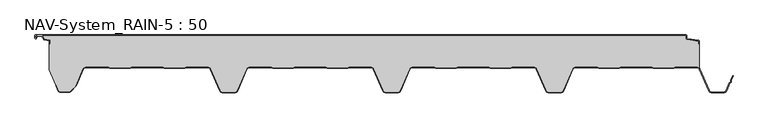
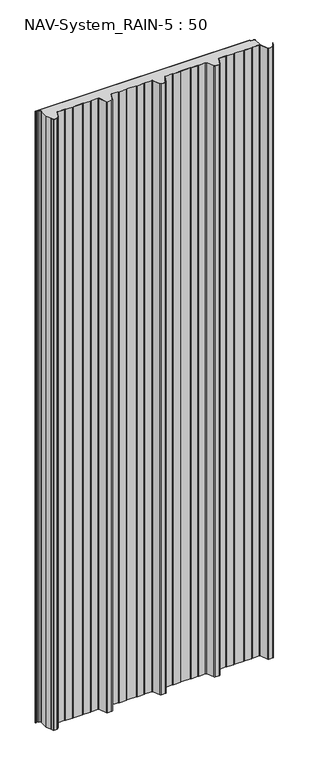
"""IFC4 building model written with IfcOpenShell, lengths in millimetres: plate geometry, NAV-System_RAIN-5 : 50."""

from ifc_helpers import new_model, si_unit, point, frame_2d, origin, origin_with_axes, place, context, project, spatial, polyline, circle_curve, trimmed, segment, composite_curve, outline, extrude, source, transform, mapped, element, save


def nav_system_rain_5_50_5c66eb99(model_context):
    return source(origin(), model_context, "Body", "SweptSolid", [
        extrude(outline(composite_curve([segment(polyline([(519.0, -13.6767555), (518.2, -13.6767555), (518.2, -9.3721283), (500.4911207, -6.8818536)]), True, "CONTINUOUS"), segment(trimmed(circle_curve(frame_2d((500.7, -5.3964683)), 1.5), [point((500.4911207, -6.8818536))], [point((499.2, -5.3964683))], False, "CARTESIAN"), True, "CONTINUOUS"), segment(polyline([(499.2, -5.3964683), (499.2, -0.8), (-498.7, -0.8)]), True, "CONTINUOUS"), segment(trimmed(circle_curve(frame_2d((-498.7, -1.3)), 0.5), [point((-498.7, -0.8))], [point((-499.2, -1.3))], True, "CARTESIAN"), True, "CONTINUOUS"), segment(polyline([(-499.2, -1.3), (-499.2, -4.3700191)]), True, "CONTINUOUS"), segment(trimmed(circle_curve(frame_2d((-498.7, -4.3700191)), 0.5), [point((-499.2, -4.3700191))], [point((-498.2669873, -4.6200191))], True, "CARTESIAN"), True, "CONTINUOUS"), segment(polyline([(-498.2669873, -4.6200191), (-496.2924383, -1.2), (-488.9841833, -1.2), (-485.8164586, -6.6866602), (-477.2, -7.898332), (-477.2, -13.6767555), (-478.0, -13.6767555), (-478.0, -8.5937048), (-485.6863953, -7.5128213)]), True, "CONTINUOUS"), segment(trimmed(circle_curve(frame_2d((-485.5053666, -6.2254873)), 1.3), [point((-485.6863953, -7.5128213))], [point((-486.6311996, -6.8754873))], False, "CARTESIAN"), True, "CONTINUOUS"), segment(polyline([(-486.6311996, -6.8754873), (-489.4460636, -2.0), (-495.8305581, -2.0), (-497.574167, -5.0200191)]), True, "CONTINUOUS"), segment(trimmed(circle_curve(frame_2d((-498.7, -4.3700191)), 1.3), [point((-497.574167, -5.0200191))], [point((-500.0, -4.3700191))], False, "CARTESIAN"), True, "CONTINUOUS"), segment(polyline([(-500.0, -4.3700191), (-500.0, -1.3)]), True, "CONTINUOUS"), segment(trimmed(circle_curve(frame_2d((-498.7, -1.3)), 1.3), [point((-500.0, -1.3))], [point((-498.7, 0.0))], False, "CARTESIAN"), True, "CONTINUOUS"), segment(polyline([(-498.7, 0.0), (498.7, 0.0)]), True, "CONTINUOUS"), segment(trimmed(circle_curve(frame_2d((498.7, -1.3)), 1.3), [point((498.7, 0.0))], [point((500.0, -1.3))], False, "CARTESIAN"), True, "CONTINUOUS"), segment(polyline([(500.0, -1.3), (500.0, -5.3964683)]), True, "CONTINUOUS"), segment(trimmed(circle_curve(frame_2d((500.7, -5.3964683)), 0.7), [point((500.0, -5.3964683))], [point((500.602523, -6.0896481))], True, "CARTESIAN"), True, "CONTINUOUS"), segment(polyline([(500.602523, -6.0896481), (517.8810287, -8.5194024)]), True, "CONTINUOUS"), segment(trimmed(circle_curve(frame_2d((517.7, -9.8067363)), 1.3), [point((517.8810287, -8.5194024))], [point((519.0, -9.8067363))], False, "CARTESIAN"), True, "CONTINUOUS"), segment(polyline([(519.0, -9.8067363), (519.0, -13.6767555)]), True, "CONTINUOUS")], self_intersect=False)), origin_with_axes(), (0.0, 0.0, 1.0), 3000.0),
        extrude(outline(composite_curve([segment(trimmed(circle_curve(frame_2d((515.5898022, -54.0)), 4.8), [point((519.0, -50.6220493))], [point((515.5898022, -49.2))], True, "CARTESIAN"), True, "CONTINUOUS"), segment(polyline([(515.5898022, -49.2), (483.6922468, -49.2), (479.6508228, -50.7), (448.0723788, -50.6741102), (444.1768702, -49.2), (400.3589135, -49.2), (396.3174895, -50.7), (364.7390455, -50.6741102), (360.8435369, -49.2), (328.9416341, -49.2)]), True, "CONTINUOUS"), segment(trimmed(circle_curve(frame_2d((328.9416341, -54.0)), 4.8), [point((328.9416341, -49.2))], [point((324.5314363, -52.1052295))], True, "CARTESIAN"), True, "CONTINUOUS"), segment(polyline([(324.5314363, -52.1052295), (310.330878, -85.1579242)]), True, "CONTINUOUS"), segment(trimmed(circle_curve(frame_2d((306.4719549, -83.5)), 4.2), [point((310.330878, -85.1579242))], [point((306.4719549, -87.7))], False, "CARTESIAN"), True, "CONTINUOUS"), segment(polyline([(306.4719549, -87.7), (288.0594814, -87.7)]), True, "CONTINUOUS"), segment(trimmed(circle_curve(frame_2d((288.0594814, -83.5)), 4.2), [point((288.0594814, -87.7))], [point((284.2005583, -85.1579242))], False, "CARTESIAN"), True, "CONTINUOUS"), segment(polyline([(284.2005583, -85.1579242), (270.0, -52.1052295)]), True, "CONTINUOUS"), segment(trimmed(circle_curve(frame_2d((265.5898022, -54.0)), 4.8), [point((270.0, -52.1052295))], [point((265.5898022, -49.2))], True, "CARTESIAN"), True, "CONTINUOUS"), segment(polyline([(265.5898022, -49.2), (233.6922468, -49.2), (229.6508228, -50.7), (198.0723788, -50.6741102), (194.1768702, -49.2), (150.3589135, -49.2), (146.3174895, -50.7), (114.8074622, -50.7), (110.8435369, -49.2), (78.9416341, -49.2)]), True, "CONTINUOUS"), segment(trimmed(circle_curve(frame_2d((78.9416341, -54.0)), 4.8), [point((78.9416341, -49.2))], [point((74.5314363, -52.1052295))], True, "CARTESIAN"), True, "CONTINUOUS"), segment(polyline([(74.5314363, -52.1052295), (60.330878, -85.1579242)]), True, "CONTINUOUS"), segment(trimmed(circle_curve(frame_2d((56.4719549, -83.5)), 4.2), [point((60.330878, -85.1579242))], [point((56.4719549, -87.7))], False, "CARTESIAN"), True, "CONTINUOUS"), segment(polyline([(56.4719549, -87.7), (38.0594814, -87.7)]), True, "CONTINUOUS"), segment(trimmed(circle_curve(frame_2d((38.0594814, -83.5)), 4.2), [point((38.0594814, -87.7))], [point((34.2005583, -85.1579242))], False, "CARTESIAN"), True, "CONTINUOUS"), segment(polyline([(34.2005583, -85.1579242), (20.0, -52.1052295)]), True, "CONTINUOUS"), segment(trimmed(circle_curve(frame_2d((15.5898022, -54.0)), 4.8), [point((20.0, -52.1052295))], [point((15.5898022, -49.2))], True, "CARTESIAN"), True, "CONTINUOUS"), segment(polyline([(15.5898022, -49.2), (-16.3077532, -49.2), (-20.3491772, -50.7), (-51.9276212, -50.6741102), (-55.8231298, -49.2), (-99.6410865, -49.2), (-103.6825105, -50.7), (-135.1925378, -50.7), (-139.1564631, -49.2), (-171.0583659, -49.2)]), True, "CONTINUOUS"), segment(trimmed(circle_curve(frame_2d((-171.0583659, -54.0)), 4.8), [point((-171.0583659, -49.2))], [point((-175.4685637, -52.1052295))], True, "CARTESIAN"), True, "CONTINUOUS"), segment(polyline([(-175.4685637, -52.1052295), (-189.669122, -85.1579242)]), True, "CONTINUOUS"), segment(trimmed(circle_curve(frame_2d((-193.5280451, -83.5)), 4.2), [point((-189.669122, -85.1579242))], [point((-193.5280451, -87.7))], False, "CARTESIAN"), True, "CONTINUOUS"), segment(polyline([(-193.5280451, -87.7), (-211.9405186, -87.7)]), True, "CONTINUOUS"), segment(trimmed(circle_curve(frame_2d((-211.9405186, -83.5)), 4.2), [point((-211.9405186, -87.7))], [point((-215.7994417, -85.1579242))], False, "CARTESIAN"), True, "CONTINUOUS"), segment(polyline([(-215.7994417, -85.1579242), (-230.0, -52.1052295)]), True, "CONTINUOUS"), segment(trimmed(circle_curve(frame_2d((-234.4101978, -54.0)), 4.8), [point((-230.0, -52.1052295))], [point((-234.4101978, -49.2))], True, "CARTESIAN"), True, "CONTINUOUS"), segment(polyline([(-234.4101978, -49.2), (-266.3077532, -49.2), (-270.3491772, -50.7), (-301.9276212, -50.6741102), (-305.8231298, -49.2), (-349.6410865, -49.2), (-353.6825105, -50.7), (-385.1925378, -50.7), (-389.1564631, -49.2), (-421.9290751, -49.2)]), True, "CONTINUOUS"), segment(trimmed(circle_curve(frame_2d((-421.9290751, -54.0)), 4.8), [point((-421.9290751, -49.2))], [point((-426.3392729, -52.1052295))], True, "CARTESIAN"), True, "CONTINUOUS"), segment(polyline([(-426.3392729, -52.1052295), (-437.4245651, -77.9069459)]), True, "CONTINUOUS"), segment(trimmed(circle_curve(frame_2d((-441.2834882, -76.2490217)), 4.2), [point((-437.4245651, -77.9069459))], [point((-438.3136397, -79.2188701))], False, "CARTESIAN"), True, "CONTINUOUS"), segment(polyline([(-438.3136397, -79.2188701), (-444.764618, -85.6698485)]), True, "CONTINUOUS"), segment(trimmed(circle_curve(frame_2d((-447.7344665, -82.7)), 4.2), [point((-444.764618, -85.6698485))], [point((-447.7344665, -86.9))], False, "CARTESIAN"), True, "CONTINUOUS"), segment(polyline([(-447.7344665, -86.9), (-461.1405186, -86.9)]), True, "CONTINUOUS"), segment(trimmed(circle_curve(frame_2d((-461.1405186, -83.7)), 3.2), [point((-461.1405186, -86.9))], [point((-464.1022482, -84.9116756))], False, "CARTESIAN"), True, "CONTINUOUS"), segment(polyline([(-464.1022482, -84.9116756), (-467.6292254, -76.2905951), (-468.3696578, -76.593514), (-478.0, -53.053822), (-478.0, -13.6767555), (-477.2, -13.6767555), (-477.2, -7.898332), (-485.8164586, -6.6866602), (-488.9841833, -1.2), (-496.2924383, -1.2), (-498.2669873, -4.6200191)]), True, "CONTINUOUS"), segment(trimmed(circle_curve(frame_2d((-498.7, -4.3700191)), 0.5), [point((-498.2669873, -4.6200191))], [point((-499.2, -4.3700191))], False, "CARTESIAN"), True, "CONTINUOUS"), segment(polyline([(-499.2, -4.3700191), (-499.2, -1.3)]), True, "CONTINUOUS"), segment(trimmed(circle_curve(frame_2d((-498.7, -1.3)), 0.5), [point((-499.2, -1.3))], [point((-498.7, -0.8))], False, "CARTESIAN"), True, "CONTINUOUS"), segment(polyline([(-498.7, -0.8), (499.2, -0.8), (499.2, -5.3964683)]), True, "CONTINUOUS"), segment(trimmed(circle_curve(frame_2d((500.7, -5.3964683)), 1.5), [point((499.2, -5.3964683))], [point((500.4911207, -6.8818536))], True, "CARTESIAN"), True, "CONTINUOUS"), segment(polyline([(500.4911207, -6.8818536), (518.2, -9.3721283), (518.2, -13.6767555), (519.0, -13.6767555), (519.0, -50.6220493)]), True, "CONTINUOUS")], self_intersect=False)), origin_with_axes(), (0.0, 0.0, 1.0), 3000.0),
        extrude(outline(composite_curve([segment(polyline([(-464.8430228, -85.2145945), (-468.37, -76.593514), (-467.6295676, -76.2905951), (-464.1025904, -84.9116756)]), True, "CONTINUOUS"), segment(trimmed(circle_curve(frame_2d((-461.1408608, -83.7)), 3.2), [point((-464.1025904, -84.9116756))], [point((-461.1408608, -86.9))], True, "CARTESIAN"), True, "CONTINUOUS"), segment(polyline([(-461.1408608, -86.9), (-447.7348087, -86.9)]), True, "CONTINUOUS"), segment(trimmed(circle_curve(frame_2d((-447.7348087, -82.7)), 4.2), [point((-447.7348087, -86.9))], [point((-444.7649603, -85.6698485))], True, "CARTESIAN"), True, "CONTINUOUS"), segment(polyline([(-444.7649603, -85.6698485), (-438.3139819, -79.2188701)]), True, "CONTINUOUS"), segment(trimmed(circle_curve(frame_2d((-441.2838304, -76.2490217)), 4.2), [point((-438.3139819, -79.2188701))], [point((-437.4249073, -77.9069459))], True, "CARTESIAN"), True, "CONTINUOUS"), segment(polyline([(-437.4249073, -77.9069459), (-426.3396151, -52.1052295)]), True, "CONTINUOUS"), segment(trimmed(circle_curve(frame_2d((-421.9294173, -54.0)), 4.8), [point((-426.3396151, -52.1052295))], [point((-421.9294173, -49.2))], False, "CARTESIAN"), True, "CONTINUOUS"), segment(polyline([(-421.9294173, -49.2), (-389.1568054, -49.2), (-385.19288, -50.7), (-353.6828527, -50.7), (-349.6414287, -49.2), (-305.8234721, -49.2), (-301.9279634, -50.6741102), (-270.3495194, -50.7), (-266.3080954, -49.2), (-234.41054, -49.2)]), True, "CONTINUOUS"), segment(trimmed(circle_curve(frame_2d((-234.41054, -54.0)), 4.8), [point((-234.41054, -49.2))], [point((-230.0003422, -52.1052295))], False, "CARTESIAN"), True, "CONTINUOUS"), segment(polyline([(-230.0003422, -52.1052295), (-215.7997839, -85.1579242)]), True, "CONTINUOUS"), segment(trimmed(circle_curve(frame_2d((-211.9408608, -83.5)), 4.2), [point((-215.7997839, -85.1579242))], [point((-211.9408608, -87.7))], True, "CARTESIAN"), True, "CONTINUOUS"), segment(polyline([(-211.9408608, -87.7), (-193.5283873, -87.7)]), True, "CONTINUOUS"), segment(trimmed(circle_curve(frame_2d((-193.5283873, -83.5)), 4.2), [point((-193.5283873, -87.7))], [point((-189.6694642, -85.1579242))], True, "CARTESIAN"), True, "CONTINUOUS"), segment(polyline([(-189.6694642, -85.1579242), (-175.4689059, -52.1052295)]), True, "CONTINUOUS"), segment(trimmed(circle_curve(frame_2d((-171.0587081, -54.0)), 4.8), [point((-175.4689059, -52.1052295))], [point((-171.0587081, -49.2))], False, "CARTESIAN"), True, "CONTINUOUS"), segment(polyline([(-171.0587081, -49.2), (-139.1568054, -49.2), (-135.2612967, -50.6741102), (-103.6828527, -50.7), (-99.6414287, -49.2), (-55.8234721, -49.2), (-51.9279634, -50.6741102), (-20.3495194, -50.7), (-16.3080954, -49.2), (15.58946, -49.2)]), True, "CONTINUOUS"), segment(trimmed(circle_curve(frame_2d((15.58946, -54.0)), 4.8), [point((15.58946, -49.2))], [point((19.9996578, -52.1052295))], False, "CARTESIAN"), True, "CONTINUOUS"), segment(polyline([(19.9996578, -52.1052295), (34.2002161, -85.1579242)]), True, "CONTINUOUS"), segment(trimmed(circle_curve(frame_2d((38.0591392, -83.5)), 4.2), [point((34.2002161, -85.1579242))], [point((38.0591392, -87.7))], True, "CARTESIAN"), True, "CONTINUOUS"), segment(polyline([(38.0591392, -87.7), (56.4716127, -87.7)]), True, "CONTINUOUS"), segment(trimmed(circle_curve(frame_2d((56.4716127, -83.5)), 4.2), [point((56.4716127, -87.7))], [point((60.3305358, -85.1579242))], True, "CARTESIAN"), True, "CONTINUOUS"), segment(polyline([(60.3305358, -85.1579242), (74.5310941, -52.1052295)]), True, "CONTINUOUS"), segment(trimmed(circle_curve(frame_2d((78.9412919, -54.0)), 4.8), [point((74.5310941, -52.1052295))], [point((78.9412919, -49.2))], False, "CARTESIAN"), True, "CONTINUOUS"), segment(polyline([(78.9412919, -49.2), (110.8431946, -49.2), (114.7387033, -50.6741102), (146.3171473, -50.7), (150.3585713, -49.2), (194.1765279, -49.2), (198.0720366, -50.6741102), (229.6504806, -50.7), (233.6919046, -49.2), (265.58946, -49.2)]), True, "CONTINUOUS"), segment(trimmed(circle_curve(frame_2d((265.58946, -54.0)), 4.8), [point((265.58946, -49.2))], [point((269.9996578, -52.1052295))], False, "CARTESIAN"), True, "CONTINUOUS"), segment(polyline([(269.9996578, -52.1052295), (284.2002161, -85.1579242)]), True, "CONTINUOUS"), segment(trimmed(circle_curve(frame_2d((288.0591392, -83.5)), 4.2), [point((284.2002161, -85.1579242))], [point((288.0591392, -87.7))], True, "CARTESIAN"), True, "CONTINUOUS"), segment(polyline([(288.0591392, -87.7), (306.4716127, -87.7)]), True, "CONTINUOUS"), segment(trimmed(circle_curve(frame_2d((306.4716127, -83.5)), 4.2), [point((306.4716127, -87.7))], [point((310.3305358, -85.1579242))], True, "CARTESIAN"), True, "CONTINUOUS"), segment(polyline([(310.3305358, -85.1579242), (324.5310941, -52.1052295)]), True, "CONTINUOUS"), segment(trimmed(circle_curve(frame_2d((328.9412919, -54.0)), 4.8), [point((324.5310941, -52.1052295))], [point((328.9412919, -49.2))], False, "CARTESIAN"), True, "CONTINUOUS"), segment(polyline([(328.9412919, -49.2), (360.8431946, -49.2), (364.7387033, -50.6741102), (396.3171473, -50.7), (400.3585713, -49.2), (444.1765279, -49.2), (448.0720366, -50.6741102), (479.6504806, -50.7), (483.6919046, -49.2), (515.58946, -49.2)]), True, "CONTINUOUS"), segment(trimmed(circle_curve(frame_2d((515.58946, -54.0)), 4.8), [point((515.58946, -49.2))], [point((519.9996578, -52.1052295))], False, "CARTESIAN"), True, "CONTINUOUS"), segment(polyline([(519.9996578, -52.1052295), (534.2002161, -85.1579242)]), True, "CONTINUOUS"), segment(trimmed(circle_curve(frame_2d((538.0591392, -83.5)), 4.2), [point((534.2002161, -85.1579242))], [point((538.0591392, -87.7))], True, "CARTESIAN"), True, "CONTINUOUS"), segment(polyline([(538.0591392, -87.7), (556.4716127, -87.7)]), True, "CONTINUOUS"), segment(trimmed(circle_curve(frame_2d((556.4716127, -83.5)), 4.2), [point((556.4716127, -87.7))], [point((560.3305358, -85.1579242))], True, "CARTESIAN"), True, "CONTINUOUS"), segment(polyline([(560.3305358, -85.1579242), (565.2356202, -73.741031), (567.1121268, -72.0654564), (567.0358547, -69.5508717), (570.0831709, -62.458051), (570.8182039, -62.7738461), (567.8408612, -69.703799), (567.9230626, -72.4138642), (565.9006789, -74.2196957), (561.0655687, -85.4737193)]), True, "CONTINUOUS"), segment(trimmed(circle_curve(frame_2d((556.4716127, -83.5)), 5.0), [point((561.0655687, -85.4737193))], [point((556.4716127, -88.5))], False, "CARTESIAN"), True, "CONTINUOUS"), segment(polyline([(556.4716127, -88.5), (538.0591392, -88.5)]), True, "CONTINUOUS"), segment(trimmed(circle_curve(frame_2d((538.0591392, -83.5)), 5.0), [point((538.0591392, -88.5))], [point((533.4651831, -85.4737193))], False, "CARTESIAN"), True, "CONTINUOUS"), segment(polyline([(533.4651831, -85.4737193), (519.2646248, -52.4210246)]), True, "CONTINUOUS"), segment(trimmed(circle_curve(frame_2d((515.58946, -54.0)), 4.0), [point((519.2646248, -52.4210246))], [point((515.58946, -50.0))], True, "CARTESIAN"), True, "CONTINUOUS"), segment(polyline([(515.58946, -50.0), (483.8338601, -50.0), (479.8699347, -51.5), (447.9941505, -51.5), (444.0302251, -50.0), (400.5005268, -50.0), (396.5366014, -51.5), (364.6608172, -51.5), (360.6968918, -50.0), (328.9412919, -50.0)]), True, "CONTINUOUS"), segment(trimmed(circle_curve(frame_2d((328.9412919, -54.0)), 4.0), [point((328.9412919, -50.0))], [point((325.2661271, -52.4210246))], True, "CARTESIAN"), True, "CONTINUOUS"), segment(polyline([(325.2661271, -52.4210246), (311.0655687, -85.4737193)]), True, "CONTINUOUS"), segment(trimmed(circle_curve(frame_2d((306.4716127, -83.5)), 5.0), [point((311.0655687, -85.4737193))], [point((306.4716127, -88.5))], False, "CARTESIAN"), True, "CONTINUOUS"), segment(polyline([(306.4716127, -88.5), (288.0591392, -88.5)]), True, "CONTINUOUS"), segment(trimmed(circle_curve(frame_2d((288.0591392, -83.5)), 5.0), [point((288.0591392, -88.5))], [point((283.4651831, -85.4737193))], False, "CARTESIAN"), True, "CONTINUOUS"), segment(polyline([(283.4651831, -85.4737193), (269.2646248, -52.4210246)]), True, "CONTINUOUS"), segment(trimmed(circle_curve(frame_2d((265.58946, -54.0)), 4.0), [point((269.2646248, -52.4210246))], [point((265.58946, -50.0))], True, "CARTESIAN"), True, "CONTINUOUS"), segment(polyline([(265.58946, -50.0), (233.8338601, -50.0), (229.8699347, -51.5), (197.9941505, -51.5), (194.0302251, -50.0), (150.5005268, -50.0), (146.5366014, -51.5), (114.6608172, -51.5), (110.6968918, -50.0), (78.9412919, -50.0)]), True, "CONTINUOUS"), segment(trimmed(circle_curve(frame_2d((78.9412919, -54.0)), 4.0), [point((78.9412919, -50.0))], [point((75.2661271, -52.4210246))], True, "CARTESIAN"), True, "CONTINUOUS"), segment(polyline([(75.2661271, -52.4210246), (61.0655687, -85.4737193)]), True, "CONTINUOUS"), segment(trimmed(circle_curve(frame_2d((56.4716127, -83.5)), 5.0), [point((61.0655687, -85.4737193))], [point((56.4716127, -88.5))], False, "CARTESIAN"), True, "CONTINUOUS"), segment(polyline([(56.4716127, -88.5), (38.0591392, -88.5)]), True, "CONTINUOUS"), segment(trimmed(circle_curve(frame_2d((38.0591392, -83.5)), 5.0), [point((38.0591392, -88.5))], [point((33.4651831, -85.4737193))], False, "CARTESIAN"), True, "CONTINUOUS"), segment(polyline([(33.4651831, -85.4737193), (19.2646248, -52.4210246)]), True, "CONTINUOUS"), segment(trimmed(circle_curve(frame_2d((15.58946, -54.0)), 4.0), [point((19.2646248, -52.4210246))], [point((15.58946, -50.0))], True, "CARTESIAN"), True, "CONTINUOUS"), segment(polyline([(15.58946, -50.0), (-16.1661399, -50.0), (-20.1300653, -51.5), (-52.0058495, -51.5), (-55.9697749, -50.0), (-99.4994732, -50.0), (-103.4633986, -51.5), (-135.3391828, -51.5), (-139.3031082, -50.0), (-171.0587081, -50.0)]), True, "CONTINUOUS"), segment(trimmed(circle_curve(frame_2d((-171.0587081, -54.0)), 4.0), [point((-171.0587081, -50.0))], [point((-174.7338729, -52.4210246))], True, "CARTESIAN"), True, "CONTINUOUS"), segment(polyline([(-174.7338729, -52.4210246), (-188.9344313, -85.4737193)]), True, "CONTINUOUS"), segment(trimmed(circle_curve(frame_2d((-193.5283873, -83.5)), 5.0), [point((-188.9344313, -85.4737193))], [point((-193.5283873, -88.5))], False, "CARTESIAN"), True, "CONTINUOUS"), segment(polyline([(-193.5283873, -88.5), (-211.9408608, -88.5)]), True, "CONTINUOUS"), segment(trimmed(circle_curve(frame_2d((-211.9408608, -83.5)), 5.0), [point((-211.9408608, -88.5))], [point((-216.5348169, -85.4737193))], False, "CARTESIAN"), True, "CONTINUOUS"), segment(polyline([(-216.5348169, -85.4737193), (-230.7353752, -52.4210246)]), True, "CONTINUOUS"), segment(trimmed(circle_curve(frame_2d((-234.41054, -54.0)), 4.0), [point((-230.7353752, -52.4210246))], [point((-234.41054, -50.0))], True, "CARTESIAN"), True, "CONTINUOUS"), segment(polyline([(-234.41054, -50.0), (-266.1661399, -50.0), (-270.1300653, -51.5), (-302.0058495, -51.5), (-305.9697749, -50.0), (-349.4994732, -50.0), (-353.4633986, -51.5), (-385.3391828, -51.5), (-389.3031082, -50.0), (-421.9294173, -50.0)]), True, "CONTINUOUS"), segment(trimmed(circle_curve(frame_2d((-421.9294173, -54.0)), 4.0), [point((-421.9294173, -50.0))], [point((-425.6045822, -52.4210246))], True, "CARTESIAN"), True, "CONTINUOUS"), segment(polyline([(-425.6045822, -52.4210246), (-436.6898744, -78.2227409)]), True, "CONTINUOUS"), segment(trimmed(circle_curve(frame_2d((-441.2838304, -76.2490217)), 5.0), [point((-436.6898744, -78.2227409))], [point((-437.7482965, -79.7845556))], False, "CARTESIAN"), True, "CONTINUOUS"), segment(polyline([(-437.7482965, -79.7845556), (-444.1992748, -86.2355339)]), True, "CONTINUOUS"), segment(trimmed(circle_curve(frame_2d((-447.7348087, -82.7)), 5.0), [point((-444.1992748, -86.2355339))], [point((-447.7348087, -87.7))], False, "CARTESIAN"), True, "CONTINUOUS"), segment(polyline([(-447.7348087, -87.7), (-461.1408608, -87.7)]), True, "CONTINUOUS"), segment(trimmed(circle_curve(frame_2d((-461.1408608, -83.7)), 4.0), [point((-461.1408608, -87.7))], [point((-464.8430228, -85.2145945))], False, "CARTESIAN"), True, "CONTINUOUS")], self_intersect=False)), origin_with_axes(), (0.0, 0.0, 1.0), 3000.0),
    ])


if __name__ == "__main__":
    model = new_model("IFC4")
    model_context = context("Model", 3, world=origin())
    ifc_project = project(units=[si_unit("LENGTHUNIT", "METRE", prefix="MILLI")], contexts=[model_context])
    site = spatial("IfcSite", under=ifc_project)
    building = spatial("IfcBuilding", under=site)
    placement = place(None, origin())
    nav_system_rain_5_50_shape = nav_system_rain_5_50_5c66eb99(model_context)
    element("IfcPlate", 1, ObjectType="NAV-System_RAIN-5 : 50", at=placement, inside=building, context=model_context, shape_type="MappedRepresentation", body=[
        mapped(nav_system_rain_5_50_shape, transform((0.0, 0.0, 0.0), x_axis=(1.0, 0.0, 0.0), y_axis=(0.0, 1.0, 0.0), z_axis=(0.0, 0.0, 1.0))),
    ])
    save(model, "model.ifc")
